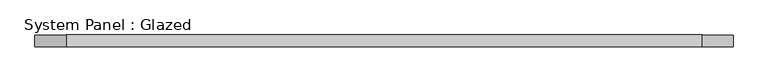
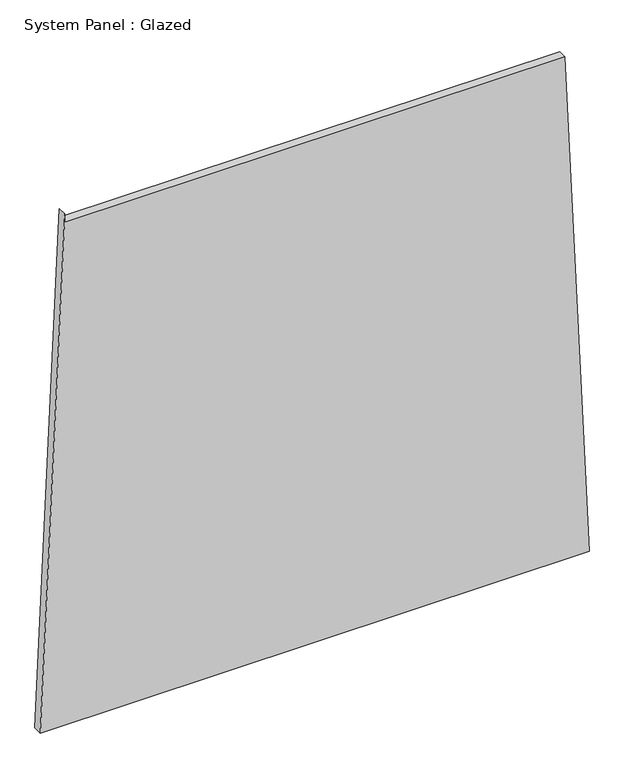
"""IFC4 building model written with IfcOpenShell, lengths in millimetres: plate geometry, System Panel : Glazed."""

from ifc_helpers import new_model, si_unit, frame, origin, place, context, project, spatial, polyline, outline, extrude, source, transform, mapped, element, save


def system_panel_glazed_84e9f136(model_context):
    return source(origin(), model_context, "Body", "SweptSolid", [
        extrude(outline(polyline([(0.0, -748.2085114), (0.0, 748.2085114), (1448.4526705, 682.3654163), (1448.4526695, -681.2241834), (1473.4526695, -681.2241834), (0.0, -748.2085114)])), frame((0.0, -49.5, 0.0), z_axis=(0.0, 1.0, 0.0), x_axis=(0.0, 0.0, 1.0)), (0.0, 0.0, 1.0), 25.0),
    ])


if __name__ == "__main__":
    model = new_model("IFC4")
    model_context = context("Model", 3, world=origin())
    ifc_project = project(units=[si_unit("LENGTHUNIT", "METRE", prefix="MILLI")], contexts=[model_context])
    site = spatial("IfcSite", under=ifc_project)
    building = spatial("IfcBuilding", under=site)
    placement = place(None, origin())
    system_panel_glazed_shape = system_panel_glazed_84e9f136(model_context)
    element("IfcPlate", 1, ObjectType="System Panel : Glazed", at=placement, inside=building, context=model_context, shape_type="MappedRepresentation", body=[
        mapped(system_panel_glazed_shape, transform((0.0, 0.0, 0.0), x_axis=(1.0, 0.0, 0.0), y_axis=(0.0, 1.0, 0.0), z_axis=(0.0, 0.0, 1.0))),
    ])
    save(model, "model.ifc")
